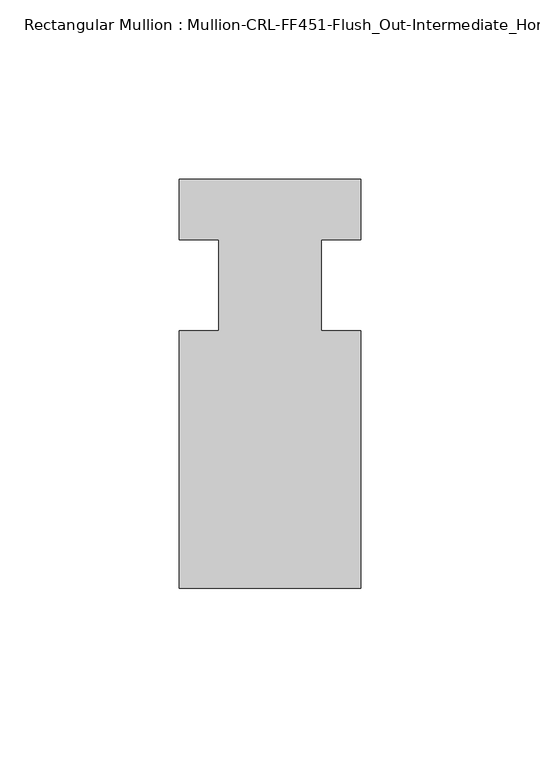
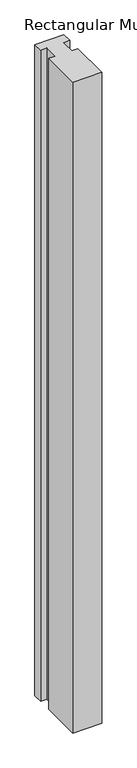
"""IFC4 building model written with IfcOpenShell, lengths in millimetres: member geometry, Rectangular Mullion : Mullion-CRL-FF451-Flush_Out-Intermediate_Horizontal-Ext."""

from ifc_helpers import new_model, si_unit, frame, origin, place, context, project, spatial, polyline, outline, extrude, source, transform, mapped, element, save


def rectangular_mullion_mullion_crl_ff451_flush_out_intermediate_c8b753e9(model_context):
    return source(origin(), model_context, "Body", "SweptSolid", [
        extrude(outline(polyline([(21.4290159, -84.6650108), (-29.3709841, -84.6650108), (-29.3709841, -12.7), (-18.2682251, -12.7), (-18.2682251, 12.7), (-29.3709841, 12.7), (-29.3709841, 29.6349892), (21.4290159, 29.6349892), (21.4290159, 12.7), (10.3165159, 12.7), (10.3165159, -12.7), (21.4290159, -12.7), (21.4290159, -84.6650108)])), frame((0.0, 0.0, -1202.3155522), z_axis=(0.0, 0.0, 1.0), x_axis=(1.0, 0.0, 0.0)), (0.0, 0.0, 1.0), 1202.3155522),
    ])


if __name__ == "__main__":
    model = new_model("IFC4")
    model_context = context("Model", 3, world=origin())
    ifc_project = project(units=[si_unit("LENGTHUNIT", "METRE", prefix="MILLI")], contexts=[model_context])
    site = spatial("IfcSite", under=ifc_project)
    building = spatial("IfcBuilding", under=site)
    placement = place(None, origin())
    rectangular_mullion_mullion_crl_ff451_flush_out_intermediate_shape = rectangular_mullion_mullion_crl_ff451_flush_out_intermediate_c8b753e9(model_context)
    element("IfcMember", 1, ObjectType="Rectangular Mullion : Mullion-CRL-FF451-Flush_Out-Intermediate_Horizontal-Ext", at=placement, inside=building, context=model_context, shape_type="MappedRepresentation", body=[
        mapped(rectangular_mullion_mullion_crl_ff451_flush_out_intermediate_shape, transform((0.0, 0.0, 0.0), x_axis=(1.0, 0.0, 0.0), y_axis=(0.0, 1.0, 0.0), z_axis=(0.0, 0.0, 1.0))),
    ])
    save(model, "model.ifc")
